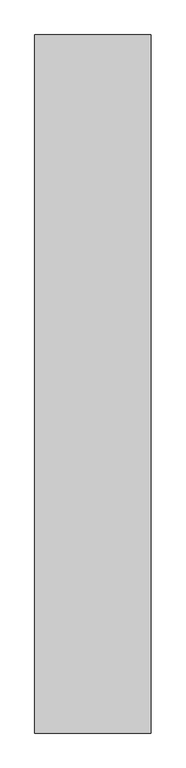
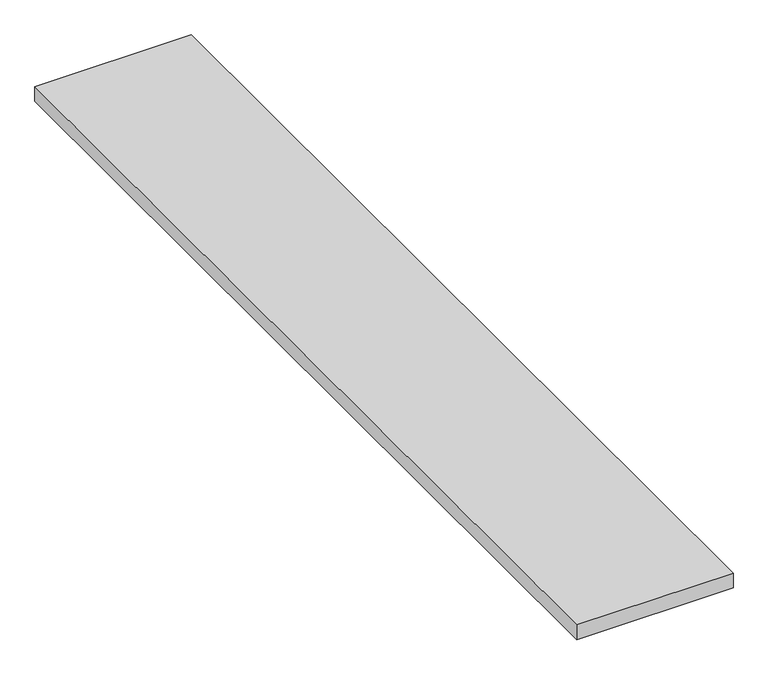
"""IFC4 building model written with IfcOpenShell, lengths in millimetres: proxy geometry."""

from ifc_helpers import new_model, si_unit, origin, origin_with_axes, place, context, project, spatial, polyline, outline, extrude, source, transform, mapped, element, save


def generic_models_6f17e21e(model_context):
    return source(origin(), model_context, "Body", "SweptSolid", [
        extrude(outline(polyline([(1500.0, 9000.0), (1500.0, 0.0), (0.0, 0.0), (0.0, 9000.0), (1500.0, 9000.0)])), origin_with_axes(), (0.0, 0.0, 1.0), 150.0),
    ])


if __name__ == "__main__":
    model = new_model("IFC4")
    model_context = context("Model", 3, world=origin())
    ifc_project = project(units=[si_unit("LENGTHUNIT", "METRE", prefix="MILLI")], contexts=[model_context])
    site = spatial("IfcSite", under=ifc_project)
    building = spatial("IfcBuilding", under=site)
    placement = place(None, origin())
    generic_models_shape = generic_models_6f17e21e(model_context)
    element("IfcBuildingElementProxy", 1, Name="Generic Models", at=placement, inside=building, context=model_context, shape_type="MappedRepresentation", body=[
        mapped(generic_models_shape, transform((0.0, 0.0, 0.0), x_axis=(1.0, 0.0, 0.0), y_axis=(0.0, 1.0, 0.0), z_axis=(0.0, 0.0, 1.0))),
    ])
    save(model, "model.ifc")
